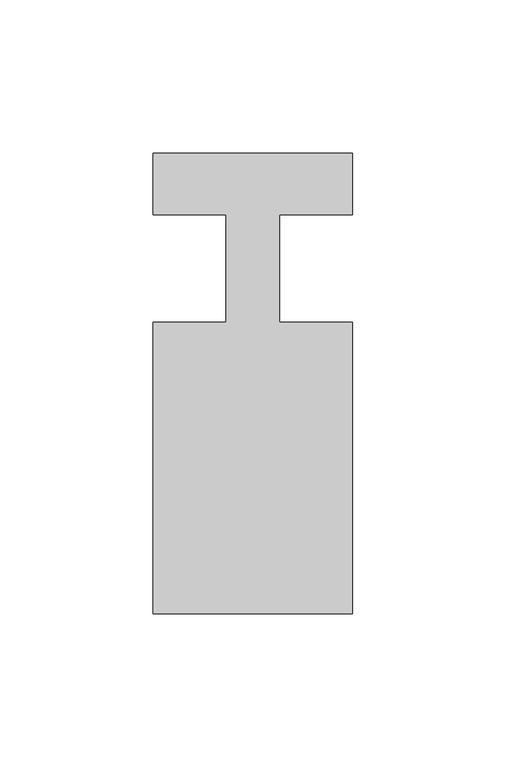
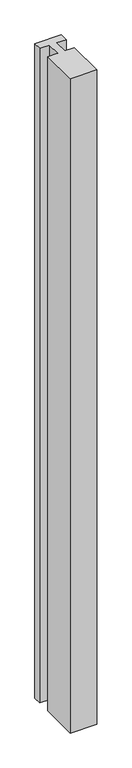
"""IFC4 building model written with IfcOpenShell, lengths in millimetres: member geometry."""

from ifc_helpers import new_model, si_unit, frame, origin, place, context, project, spatial, polyline, outline, extrude, source, transform, mapped, element, save


def member_ad2459cf(model_context):
    return source(origin(), model_context, "Body", "SweptSolid", [
        extrude(outline(polyline([(0.0, 37.0), (0.0, 17.0), (-23.8125, 17.0), (-23.8125, -18.0), (0.0, -18.0), (0.0, -113.0), (-65.0, -113.0), (-65.0, -18.0), (-41.1875, -18.0), (-41.1875, 17.0), (-65.0, 17.0), (-65.0, 37.0), (0.0, 37.0)])), frame((0.0, 0.0, -1700.0), z_axis=(0.0, 0.0, 1.0), x_axis=(1.0, 0.0, 0.0)), (0.0, 0.0, 1.0), 1700.0),
    ])


if __name__ == "__main__":
    model = new_model("IFC4")
    model_context = context("Model", 3, world=origin())
    ifc_project = project(units=[si_unit("LENGTHUNIT", "METRE", prefix="MILLI")], contexts=[model_context])
    site = spatial("IfcSite", under=ifc_project)
    building = spatial("IfcBuilding", under=site)
    placement = place(None, origin())
    member_shape = member_ad2459cf(model_context)
    element("IfcMember", 1, at=placement, inside=building, context=model_context, shape_type="MappedRepresentation", body=[
        mapped(member_shape, transform((0.0, 0.0, 0.0), x_axis=(1.0, 0.0, 0.0), y_axis=(0.0, 1.0, 0.0), z_axis=(0.0, 0.0, 1.0))),
    ])
    save(model, "model.ifc")
